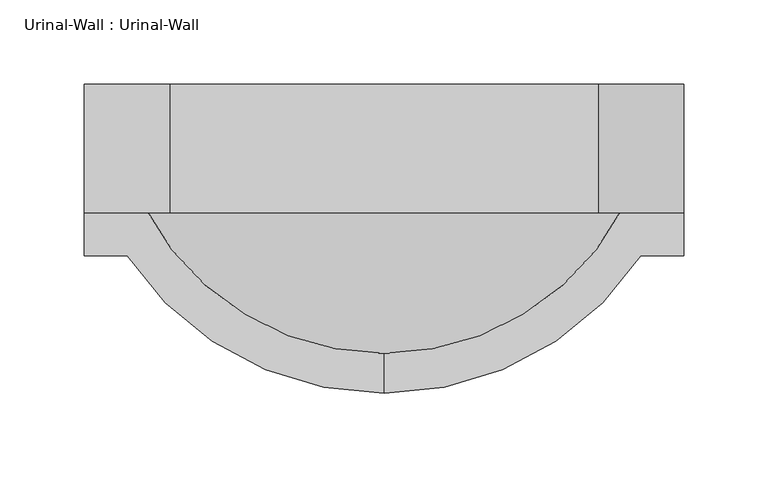
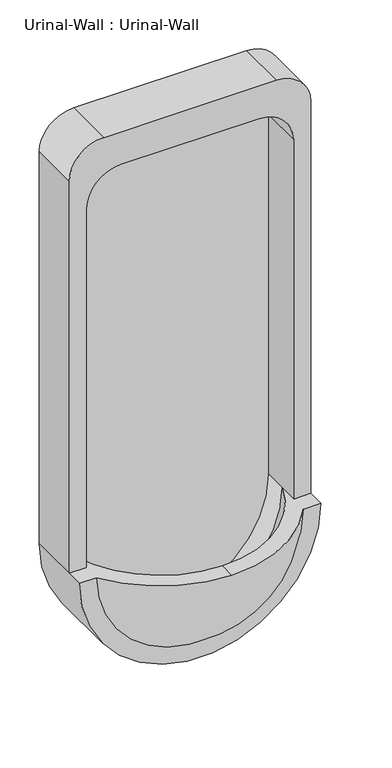
"""IFC4 building model written with IfcOpenShell, lengths in millimetres: flow terminal geometry, Urinal-Wall : Urinal-Wall."""

import ifcopenshell
import ifcopenshell.guid

model = None  # the IFC model being written
_history = None  # IfcOwnerHistory: only IFC2X3 demands one
_inside = {}  # id of a spatial element -> (the spatial element, [elements in it])
_under = {}  # id of a project, library or spatial element -> (it, [spatial elements below it])
_declared = {}  # id of a project -> (the project, [libraries it declares])
_typed = {}  # id of a type object -> (the type object, [elements of that type])
_made_of = {}  # id of a material, layer set ... -> (it, [elements and type objects made of it])


def new_model(schema):
    """Start an empty IFC model of exactly this schema.

    Asked for "IFC4X3", IfcOpenShell would pick the latest addendum, in which some entities
    have other attributes; the version numbers below select the first issue.
    IFC2X3 requires an IfcOwnerHistory on every rooted entity: one is made here for all.
    """
    global model, _history
    if schema == "IFC4X3":
        model = ifcopenshell.file(schema_version=(4, 3, 0, 0))
    else:
        model = ifcopenshell.file(schema=schema)
    _inside.clear()
    _under.clear()
    _declared.clear()
    _typed.clear()
    _made_of.clear()
    _history = None
    if model.schema == "IFC2X3":
        org = make("IfcOrganization", Name="unknown")
        user = make(
            "IfcPersonAndOrganization",
            ThePerson=make("IfcPerson", FamilyName="unknown"),
            TheOrganization=org,
        )
        app = make(
            "IfcApplication",
            ApplicationDeveloper=org,
            Version="unknown",
            ApplicationFullName="unknown",
            ApplicationIdentifier="unknown",
        )
        _history = make(
            "IfcOwnerHistory",
            OwningUser=user,
            OwningApplication=app,
            ChangeAction="ADDED",
            CreationDate=0,
        )
    return model


def make(cls, **values):
    """One entity of the class cls with the attributes given. An attribute that is None is left unset."""
    return model.create_entity(
        cls, **{name: value for name, value in values.items() if value is not None}
    )


def rooted(cls, **values):
    """An entity with a GlobalId (a new one), such as an element, a storey or a relation."""
    return make(cls, GlobalId=ifcopenshell.guid.new(), OwnerHistory=_history, **values)


def si_unit(unit_type, name, prefix=None):
    """IfcSIUnit, for example si_unit("LENGTHUNIT", "METRE", prefix="MILLI")."""
    return make("IfcSIUnit", UnitType=unit_type, Prefix=prefix, Name=name)


def assignment(units):
    """IfcUnitAssignment: the units of a project."""
    return None if units is None else make("IfcUnitAssignment", Units=units)


def point(xyz):
    """IfcCartesianPoint."""
    return None if xyz is None else make("IfcCartesianPoint", Coordinates=xyz)


def direction(xyz):
    """IfcDirection."""
    return None if xyz is None else make("IfcDirection", DirectionRatios=xyz)


def frame(location, z_axis=None, x_axis=None):
    """IfcAxis2Placement3D, a coordinate frame: its origin and axes. An axis left out is left unset."""
    return make(
        "IfcAxis2Placement3D",
        Location=point(location),
        Axis=direction(z_axis),
        RefDirection=direction(x_axis),
    )


def origin():
    """The frame at (0, 0, 0) with its axes left unset."""
    return frame((0.0, 0.0, 0.0))


def place(relative_to, where):
    """IfcLocalPlacement: puts the frame where relative to a parent placement (None: the world)."""
    return make(
        "IfcLocalPlacement", PlacementRelTo=relative_to, RelativePlacement=where
    )


def context(
    kind, dimensions, precision=None, world=None, true_north=None, identifier=None
):
    """IfcGeometricRepresentationContext, for example the 3D "Model" context."""
    return make(
        "IfcGeometricRepresentationContext",
        ContextIdentifier=identifier,
        ContextType=kind,
        CoordinateSpaceDimension=dimensions,
        Precision=precision,
        WorldCoordinateSystem=world,
        TrueNorth=true_north,
    )


def project(units=None, contexts=None):
    """IfcProject with its units and contexts."""
    return rooted(
        "IfcProject",
        Name="project",
        RepresentationContexts=contexts,
        UnitsInContext=assignment(units),
    )


def spatial(cls, under=None, at=None, **own):
    """A site, building, storey or space (cls), placed at a placement, below another one or the project."""
    s = rooted(cls, ObjectPlacement=at, **own)
    if under is not None:
        _under.setdefault(under.id(), (under, []))[1].append(s)
    return s


def polyline(points):
    """IfcPolyline through the points."""
    return make("IfcPolyline", Points=[point(p) for p in points])


def circle_curve(where, radius):
    """IfcCircle in the frame where."""
    return make("IfcCircle", Position=where, Radius=radius)


def ellipse_curve(where, semi_axis1, semi_axis2):
    """IfcEllipse in the frame where."""
    return make(
        "IfcEllipse", Position=where, SemiAxis1=semi_axis1, SemiAxis2=semi_axis2
    )


def trimmed(basis, trim1, trim2, sense, master):
    """IfcTrimmedCurve: the piece of a basis curve between two trims."""
    return make(
        "IfcTrimmedCurve",
        BasisCurve=basis,
        Trim1=trim1,
        Trim2=trim2,
        SenseAgreement=sense,
        MasterRepresentation=master,
    )


def shape(context_of_items, identifier, shape_type, items):
    """IfcShapeRepresentation: the items that make up one representation, for example the "Body"."""
    return make(
        "IfcShapeRepresentation",
        ContextOfItems=context_of_items,
        RepresentationIdentifier=identifier,
        RepresentationType=shape_type,
        Items=items,
    )


def source(mapping_origin, context_of_items, identifier, shape_type, items):
    """IfcRepresentationMap: a shape defined once, which mapped items show again and again."""
    return make(
        "IfcRepresentationMap",
        MappingOrigin=mapping_origin,
        MappedRepresentation=shape(context_of_items, identifier, shape_type, items),
    )


def transform(
    local_origin,
    x_axis=None,
    y_axis=None,
    z_axis=None,
    scale=None,
    scale2=None,
    scale3=None,
    uniform=True,
):
    """IfcCartesianTransformationOperator3D, or its non-uniform kind. x_axis, y_axis, z_axis: its Axis1, 2, 3."""
    if uniform:
        return make(
            "IfcCartesianTransformationOperator3D",
            Axis1=direction(x_axis),
            Axis2=direction(y_axis),
            LocalOrigin=point(local_origin),
            Scale=scale,
            Axis3=direction(z_axis),
        )
    return make(
        "IfcCartesianTransformationOperator3DnonUniform",
        Axis1=direction(x_axis),
        Axis2=direction(y_axis),
        LocalOrigin=point(local_origin),
        Scale=scale,
        Axis3=direction(z_axis),
        Scale2=scale2,
        Scale3=scale3,
    )


def mapped(mapping_source, mapping_target):
    """IfcMappedItem: shows the shape of a source again, moved by a transform."""
    return make(
        "IfcMappedItem", MappingSource=mapping_source, MappingTarget=mapping_target
    )


def made_of(thing, what):
    """Note that an element or type object is made of a material, layer set ...; save() writes the relation."""
    if what is not None:
        _made_of.setdefault(what.id(), (what, []))[1].append(thing)
    return thing


def element(
    cls,
    number,
    at=None,
    inside=None,
    cuts=None,
    type_object=None,
    material=None,
    context=None,
    identifier="Body",
    shape_type=None,
    held_by="IfcProductDefinitionShape",
    body=None,
    shapes=None,
    **own,
):
    """One element of the class cls, such as IfcWall. Its Tag is "e" and its number.

    at: its placement. inside: the storey or other place that contains it. cuts: it is an
    opening in that element (IfcRelVoidsElement). A single representation is given by context,
    identifier, shape_type and body (its items); several are given by shapes. held_by: the class
    of the entity that holds the representations. save() writes the other relations.
    """
    e = rooted(cls, Tag="e%d" % number, ObjectPlacement=at, **own)
    if body is not None:
        shapes = [shape(context, identifier, shape_type, body)]
    if shapes is not None:
        e.Representation = make(held_by, Representations=shapes)
    if inside is not None:
        _inside.setdefault(inside.id(), (inside, []))[1].append(e)
    if cuts is not None:
        rooted(
            "IfcRelVoidsElement", RelatingBuildingElement=cuts, RelatedOpeningElement=e
        )
    if type_object is not None:
        _typed.setdefault(type_object.id(), (type_object, []))[1].append(e)
    return made_of(e, material)


def aggregate(whole, parts):
    """IfcRelAggregates: a whole, such as a stair, and the parts it consists of."""
    return rooted("IfcRelAggregates", RelatingObject=whole, RelatedObjects=parts)


def save(model, path):
    """Write the relations noted so far, then the file.

    IfcRelAggregates (storeys below a building ...), IfcRelContainedInSpatialStructure (elements
    in a storey), IfcRelDefinesByType, IfcRelAssociatesMaterial and IfcRelDeclares: one each for
    every whole, place, type object, material and project.
    """
    for whole, parts in _under.values():
        aggregate(whole, parts)
    for where, things in _inside.values():
        rooted(
            "IfcRelContainedInSpatialStructure",
            RelatedElements=things,
            RelatingStructure=where,
        )
    for kind, things in _typed.values():
        rooted("IfcRelDefinesByType", RelatedObjects=things, RelatingType=kind)
    for what, things in _made_of.values():
        rooted("IfcRelAssociatesMaterial", RelatedObjects=things, RelatingMaterial=what)
    for by, libraries in _declared.values():
        rooted("IfcRelDeclares", RelatingContext=by, RelatedDefinitions=libraries)
    model.write(path)


def plane_surface(at):
    """IfcPlane: the flat surface through the origin of the frame at, square to its z axis."""
    return make("IfcPlane", Position=at)


def cylinder_surface(at, radius):
    """IfcCylindricalSurface: all points at the distance radius from the z axis of the frame at."""
    return make("IfcCylindricalSurface", Position=at, Radius=radius)


def revolved_surface(curve, axis_point, axis_direction):
    """IfcSurfaceOfRevolution: the curve turned about the line through axis_point along axis_direction."""
    return make(
        "IfcSurfaceOfRevolution",
        SweptCurve=make("IfcArbitraryOpenProfileDef", ProfileType="CURVE", Curve=curve),
        AxisPosition=make("IfcAxis1Placement", Location=point(axis_point), Axis=direction(axis_direction)),
    )


def advanced_brep(points, edges, surfaces, faces):
    """IfcAdvancedBrep: a solid bounded by faces that lie on surfaces and meet in shared edges.

    An edge is (start, end): straight between two places in points (the first is 0);
    or (start, end, curve); or (start, end, curve, False) where it runs against its curve.
    A face is (place in surfaces, loops), or (place, loops, False) where it looks against
    its surface's normal. A loop lists edges by number (the first is 1), with a minus sign
    where the edge is run from its end to its start. The first loop is the outer one.
    """
    corners = [point(p) for p in points]
    vertices = [make("IfcVertexPoint", VertexGeometry=c) for c in corners]
    made = []
    for start, end, *more in edges:
        made.append(
            make(
                "IfcEdgeCurve",
                EdgeStart=vertices[start],
                EdgeEnd=vertices[end],
                EdgeGeometry=more[0] if more else make("IfcPolyline", Points=[corners[start], corners[end]]),
                SameSense=more[1] if len(more) > 1 else True,
            )
        )
    hull = []
    for where, loops, *sense in faces:
        bounds = []
        for j, loop in enumerate(loops):
            ring = [make("IfcOrientedEdge", EdgeElement=made[abs(k) - 1], Orientation=k > 0) for k in loop]
            bounds.append(
                make(
                    "IfcFaceOuterBound" if j == 0 else "IfcFaceBound",
                    Bound=make("IfcEdgeLoop", EdgeList=ring),
                    Orientation=True,
                )
            )
        hull.append(make("IfcAdvancedFace", Bounds=bounds, FaceSurface=surfaces[where], SameSense=sense[0] if sense else True))
    return make("IfcAdvancedBrep", Outer=make("IfcClosedShell", CfsFaces=hull))


def urinal_wall_urinal_wall_4de3f5ba(model_context):
    return source(origin(), model_context, "Body", "AdvancedBrep", [
        advanced_brep(
        [(-109.0745999, -245.0745048, 609.6), (43.3254001, -163.5125, 609.6), (68.7254001, -163.5125, 609.6), (68.7254001, -138.1125, 609.6), (43.3254001, -138.1125, 609.6), (43.3254001, -108.7831063, 609.6), (-109.0745999, -221.3572043, 609.6), (-261.4745999, -108.7831063, 609.6), (-261.4745999, -138.1125, 609.6), (-286.8745999, -138.1125, 609.6), (-286.8745999, -163.5125, 609.6), (-261.4745999, -163.5125, 609.6), (43.3254001, -74.6125, 609.6), (-261.4745999, -74.6125, 609.6), (-286.8745999, -61.9125, 609.6), (-286.8745999, -61.9125, 1219.2), (-236.0745999, -61.9125, 1270.0), (17.9254001, -61.9125, 1270.0), (68.7254001, -61.9125, 1219.2), (68.7254001, -61.9125, 609.6), (68.7254001, -138.1125, 1219.2), (17.9254001, -138.1125, 1270.0), (-236.0745999, -138.1125, 1270.0), (-286.8745999, -138.1125, 1219.2), (-261.4745999, -138.1125, 1168.4), (-210.6745999, -138.1125, 1219.2), (-7.4745999, -138.1125, 1219.2), (43.3254001, -138.1125, 1168.4), (43.3254001, -74.6125, 1168.4), (-7.4745999, -74.6125, 1219.2), (-210.6745999, -74.6125, 1219.2), (-261.4745999, -74.6125, 1168.4)],
        [
            (0, 1, circle_curve(frame((-109.0745999, -61.9125, 609.6), z_axis=(0.0, 0.0, 1.0), x_axis=(1.0, 0.0, 0.0)), 183.1620048)),
            (1, 2),
            (2, 3),
            (3, 4),
            (4, 5),
            (5, 6, circle_curve(frame((-109.0745999, -61.9125, 609.6), z_axis=(0.0, 0.0, -1.0), x_axis=(1.0, 0.0, 0.0)), 159.4447043)),
            (6, 0),
            (6, 7, circle_curve(frame((-109.0745999, -61.9125, 609.6), z_axis=(0.0, 0.0, -1.0), x_axis=(-1.0, 0.0, 0.0)), 159.4447043)),
            (7, 8),
            (8, 9),
            (9, 10),
            (10, 11),
            (11, 0, circle_curve(frame((-109.0745999, -61.9125, 609.6), z_axis=(0.0, 0.0, 1.0), x_axis=(-1.0, 0.0, 0.0)), 183.1620048)),
            (5, 7, circle_curve(frame((-109.0745999, -108.7831063, 609.6), z_axis=(0.0, 1.0, 0.0), x_axis=(1.0, 0.0, 0.0)), 152.4)),
            (5, 12),
            (12, 13, circle_curve(frame((-109.0745999, -74.6125, 609.6), z_axis=(0.0, 1.0, 0.0), x_axis=(1.0, 0.0, 0.0)), 152.4)),
            (13, 7),
            (14, 15),
            (15, 16, circle_curve(frame((-236.0745999, -61.9125, 1219.2), z_axis=(0.0, 1.0, 0.0), x_axis=(-1.0, 0.0, 0.0)), 50.8)),
            (16, 17),
            (17, 18, circle_curve(frame((17.9254001, -61.9125, 1219.2), z_axis=(0.0, 1.0, 0.0), x_axis=(-1.0, 0.0, 0.0)), 50.8)),
            (18, 19),
            (19, 14, circle_curve(frame((-109.0745999, -61.9125, 609.6), z_axis=(0.0, 1.0, 0.0), x_axis=(1.0, 0.0, 0.0)), 177.8)),
            (19, 3),
            (2, 10, circle_curve(frame((-109.0745999, -163.5125, 609.6), z_axis=(0.0, 1.0, 0.0), x_axis=(1.0, 0.0, 0.0)), 177.8)),
            (9, 14),
            (1, 11, circle_curve(frame((-109.0745999, -163.5125, 609.6), z_axis=(0.0, 1.0, 0.0), x_axis=(1.0, 0.0, 0.0)), 152.4)),
            (3, 20),
            (20, 21, circle_curve(frame((17.9254001, -138.1125, 1219.2), z_axis=(0.0, -1.0, 0.0), x_axis=(-1.0, 0.0, 0.0)), 50.8)),
            (21, 22),
            (22, 23, circle_curve(frame((-236.0745999, -138.1125, 1219.2), z_axis=(0.0, -1.0, 0.0), x_axis=(-1.0, 0.0, 0.0)), 50.8)),
            (23, 9),
            (8, 24),
            (24, 25, circle_curve(frame((-210.6745999, -138.1125, 1168.4), z_axis=(0.0, 1.0, 0.0), x_axis=(-1.0, 0.0, 0.0)), 50.8)),
            (25, 26),
            (26, 27, circle_curve(frame((-7.4745999, -138.1125, 1168.4), z_axis=(0.0, 1.0, 0.0), x_axis=(-1.0, 0.0, 0.0)), 50.8)),
            (27, 4),
            (27, 28),
            (28, 12),
            (26, 29),
            (29, 28, circle_curve(frame((-7.4745999, -74.6125, 1168.4), z_axis=(0.0, 1.0, 0.0), x_axis=(-1.0, 0.0, 0.0)), 50.8)),
            (25, 30),
            (30, 29),
            (24, 31),
            (31, 30, circle_curve(frame((-210.6745999, -74.6125, 1168.4), z_axis=(0.0, 1.0, 0.0), x_axis=(-1.0, 0.0, 0.0)), 50.8)),
            (13, 31),
            (23, 15),
            (22, 16),
            (21, 17),
            (20, 18),
        ],
        [
            plane_surface(frame((-109.0745999, -351.1229173, 609.6), z_axis=(0.0, 0.0, 1.0), x_axis=(1.0, 0.0, 0.0))),
            plane_surface(frame((-109.0745999, -351.1229173, 609.6), z_axis=(0.0, 0.0, 1.0), x_axis=(-1.0, 0.0, 0.0))),
            revolved_surface(trimmed(ellipse_curve(frame((-109.0745999, -61.9125, 609.6), z_axis=(0.0, 0.0, 1.0), x_axis=(1.0, 0.0, 0.0)), 159.4447043, 159.4447043), [point((-109.0745999, -221.3572043, 609.6))], [point((43.3254001, -108.7831063, 609.6))], True, "CARTESIAN"), (-109.0745999, -351.1229173, 609.6), (0.0, -1.0, 0.0)),
            revolved_surface(polyline([(43.32540010000001, -108.78310629999999, 609.6), (43.32540010000001, -74.61250000000001, 609.6)]), (-109.0745999, -351.1229173, 609.6), (0.0, -1.0, 0.0)),
            plane_surface(frame((-109.0745999, -61.9125, 609.6), z_axis=(0.0, 1.0, 0.0), x_axis=(1.0, 0.0, 0.0))),
            cylinder_surface(frame((-109.0745999, -351.1229173, 609.6), z_axis=(0.0, -1.0, 0.0), x_axis=(1.0, 0.0, 0.0)), 177.8),
            plane_surface(frame((-109.0745999, -163.5125, 609.6), z_axis=(0.0, -1.0, 0.0), x_axis=(1.0, 0.0, 0.0))),
            revolved_surface(trimmed(ellipse_curve(frame((-109.0745999, -61.9125, 609.6), z_axis=(0.0, 0.0, -1.0), x_axis=(1.0, 0.0, 0.0)), 183.1620048, 183.1620048), [point((43.3254001, -163.5125, 609.6))], [point((-109.0745999, -245.0745048, 609.6))], True, "CARTESIAN"), (-109.0745999, -351.1229173, 609.6), (0.0, -1.0, 0.0)),
            plane_surface(frame((43.3254001, -138.1125, 609.6), z_axis=(0.0, -1.0, 0.0), x_axis=(0.0, 0.0, 1.0))),
            plane_surface(frame((43.3254001, -138.1125, 609.6), z_axis=(-1.0, 0.0, 0.0), x_axis=(0.0, 1.0, 0.0))),
            revolved_surface(polyline([(-58.2745999, -74.6125, 1168.4), (-58.2745999, -138.1125, 1168.4)]), (-7.4745999, -61.9125, 1168.4), (0.0, 1.0, 0.0)),
            plane_surface(frame((-7.4745999, -138.1125, 1219.2), z_axis=(0.0, 0.0, -1.0), x_axis=(0.0, 1.0, 0.0))),
            revolved_surface(polyline([(-261.4745999, -74.6125, 1168.4), (-261.4745999, -138.1125, 1168.4)]), (-210.6745999, -61.9125, 1168.4), (0.0, 1.0, 0.0)),
            plane_surface(frame((-261.4745999, -138.1125, 1168.4), z_axis=(1.0, 0.0, 0.0), x_axis=(0.0, 1.0, 0.0))),
            plane_surface(frame((-286.8745999, -138.1125, 609.6), z_axis=(-1.0, 0.0, 0.0), x_axis=(0.0, 1.0, 0.0))),
            cylinder_surface(frame((-236.0745999, -61.9125, 1219.2), z_axis=(0.0, -1.0, 0.0), x_axis=(-1.0, 0.0, 0.0)), 50.8),
            plane_surface(frame((-236.0745999, -138.1125, 1270.0), z_axis=(0.0, 0.0, 1.0), x_axis=(0.0, 1.0, 0.0))),
            cylinder_surface(frame((17.9254001, -61.9125, 1219.2), z_axis=(0.0, -1.0, 0.0), x_axis=(-1.0, 0.0, 0.0)), 50.8),
            plane_surface(frame((68.7254001, -138.1125, 1219.2), z_axis=(1.0, 0.0, 0.0), x_axis=(0.0, 1.0, 0.0))),
            plane_surface(frame((43.3254001, -74.6125, 609.6), z_axis=(0.0, -1.0, 0.0), x_axis=(0.0, 0.0, -1.0))),
        ],
        [
            (0, [[1, 2, 3, 4, 5, 6, 7]]),
            (1, [[8, 9, 10, 11, 12, 13, -7]]),
            (2, [[14, -8, -6]]),
            (3, [[15, 16, 17, -14]]),
            (4, [[18, 19, 20, 21, 22, 23]]),
            (5, [[24, -3, 25, -11, 26, -23]]),
            (6, [[27, -12, -25, -2]]),
            (7, [[-13, -27, -1]]),
            (8, [[-4, 28, 29, 30, 31, 32, -10, 33, 34, 35, 36, 37]]),
            (9, [[38, 39, -15, -5, -37]]),
            (10, [[40, 41, -38, -36]]),
            (11, [[42, 43, -40, -35]]),
            (12, [[44, 45, -42, -34]]),
            (13, [[-9, -17, 46, -44, -33]]),
            (14, [[47, -18, -26, -32]]),
            (15, [[48, -19, -47, -31]]),
            (16, [[49, -20, -48, -30]]),
            (17, [[50, -21, -49, -29]]),
            (18, [[-24, -22, -50, -28]]),
            (19, [[-39, -41, -43, -45, -46, -16]]),
        ],
    ),
    ])


if __name__ == "__main__":
    model = new_model("IFC4")
    model_context = context("Model", 3, world=origin())
    ifc_project = project(units=[si_unit("LENGTHUNIT", "METRE", prefix="MILLI")], contexts=[model_context])
    site = spatial("IfcSite", under=ifc_project)
    building = spatial("IfcBuilding", under=site)
    placement = place(None, origin())
    urinal_wall_urinal_wall_shape = urinal_wall_urinal_wall_4de3f5ba(model_context)
    element("IfcFlowTerminal", 1, ObjectType="Urinal-Wall : Urinal-Wall", at=placement, inside=building, context=model_context, shape_type="MappedRepresentation", body=[
        mapped(urinal_wall_urinal_wall_shape, transform((0.0, 0.0, 0.0), x_axis=(1.0, 0.0, 0.0), y_axis=(0.0, 1.0, 0.0), z_axis=(0.0, 0.0, 1.0))),
    ])
    save(model, "model.ifc")
